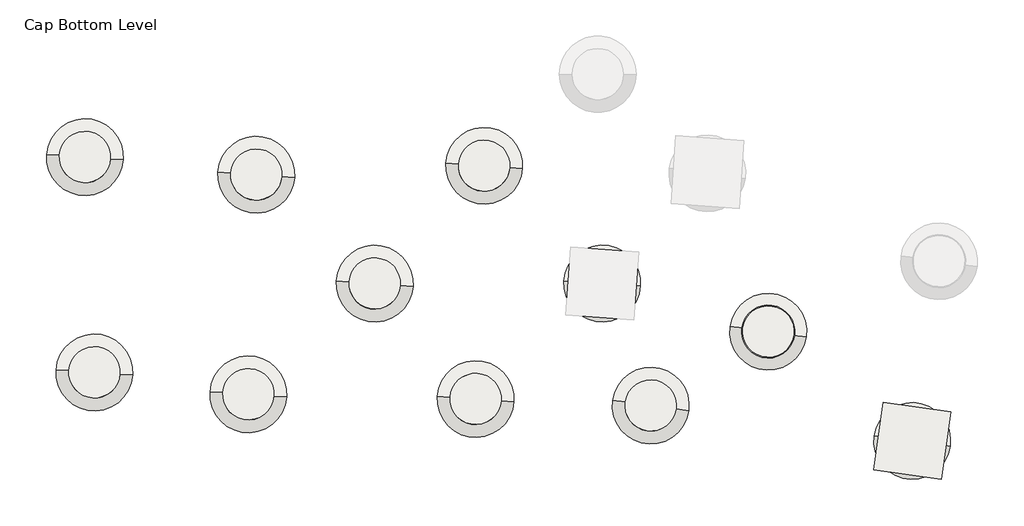
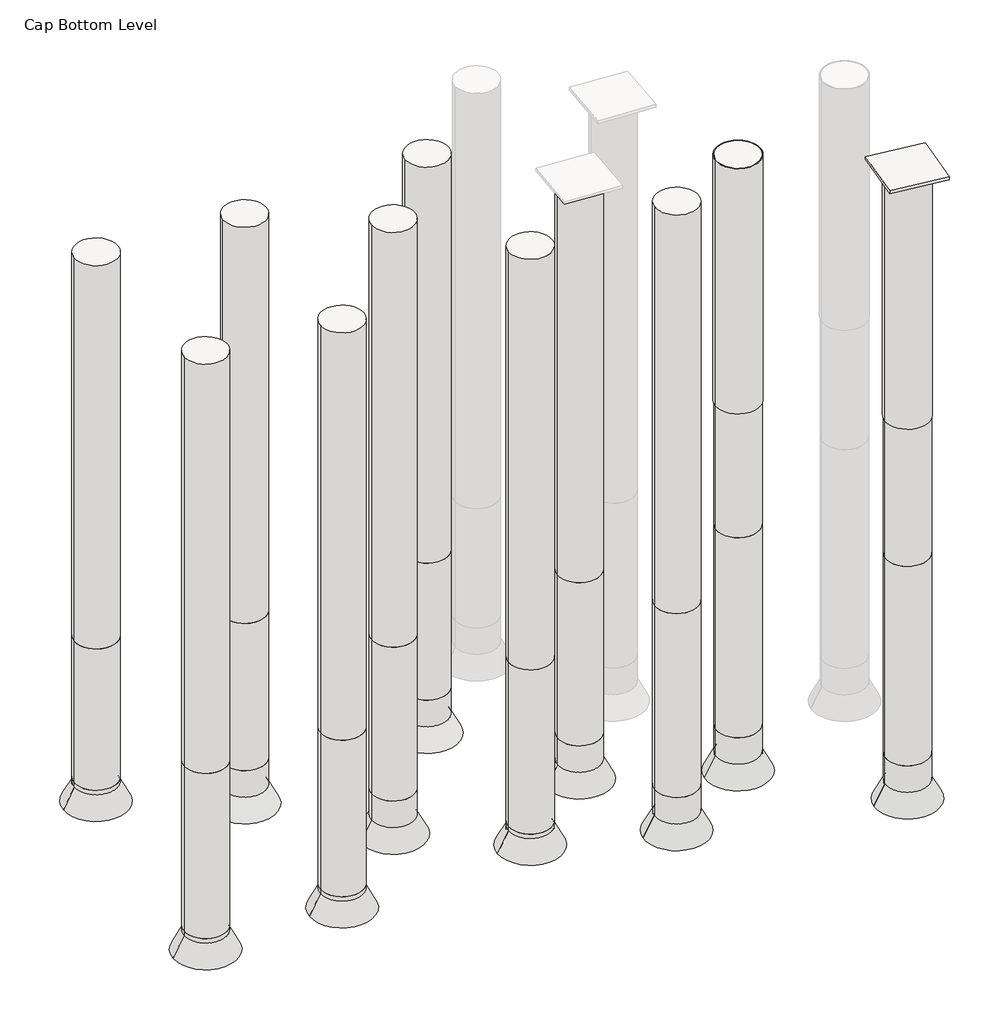
# One storey, part 1 of 2: 12 slabs.
"""IFC4 building model written with IfcOpenShell, lengths in millimetres."""

from ifc_helpers import new_model, si_unit, point, frame, frame_2d, origin, place, context, project, spatial, polyline, circle_curve, trimmed, segment, composite_curve, outline, extrude, element, save
from ifc_brep_helpers import plane_surface, revolved_surface, advanced_brep

model = new_model("IFC4")

# Units and contexts
model_context = context("Model", 3, world=origin())
ifc_project = project(units=[si_unit("LENGTHUNIT", "METRE", prefix="MILLI")], contexts=[model_context])

# Site, building, storey
site = spatial("IfcSite", under=ifc_project)
building = spatial("IfcBuilding", under=site)
storey = spatial("IfcBuildingStorey", under=building, Name="Cap Bottom Level", Elevation=150.0)

# Slabs
placement = place(None, origin())
element("IfcSlab", 1, at=placement, inside=storey, context=model_context, shape_type="SolidModel", body=[
    extrude(outline(composite_curve([segment(trimmed(circle_curve(frame_2d((-73256.8144701, 59689.0683255)), 1350.0), [point((-74603.5259435, 59783.2394866))], [point((-71910.1029968, 59594.8971644))], False, "CARTESIAN"), True, "CONTINUOUS"), segment(trimmed(circle_curve(frame_2d((-73256.8144701, 59689.0683255)), 1350.0), [point((-71910.1029968, 59594.8971644))], [point((-74603.5259435, 59783.2394866))], False, "CARTESIAN"), True, "CONTINUOUS")], self_intersect=False)), frame((0.0, 0.0, -28546.0), z_axis=(0.0, 0.0, 1.0), x_axis=(1.0, 0.0, 0.0)), (0.0, 0.0, 1.0), 27746.0),
    extrude(outline(composite_curve([segment(trimmed(circle_curve(frame_2d((-73256.8144701, 59689.0683255)), 1350.0), [point((-74603.5259435, 59783.2394866))], [point((-71910.1029968, 59594.8971644))], False, "CARTESIAN"), True, "CONTINUOUS"), segment(trimmed(circle_curve(frame_2d((-73256.8144701, 59689.0683255)), 1350.0), [point((-71910.1029968, 59594.8971644))], [point((-74603.5259435, 59783.2394866))], False, "CARTESIAN"), True, "CONTINUOUS")], self_intersect=False)), frame((0.0, 0.0, -39206.0), z_axis=(0.0, 0.0, 1.0), x_axis=(1.0, 0.0, 0.0)), (0.0, 0.0, 1.0), 10660.0),
    extrude(outline(composite_curve([segment(trimmed(circle_curve(frame_2d((-73256.8144701, 59689.0683255)), 1350.0), [point((-74603.5259435, 59783.2394866))], [point((-71910.1029968, 59594.8971644))], False, "CARTESIAN"), True, "CONTINUOUS"), segment(trimmed(circle_curve(frame_2d((-73256.8144701, 59689.0683255)), 1350.0), [point((-71910.1029968, 59594.8971644))], [point((-74603.5259435, 59783.2394866))], False, "CARTESIAN"), True, "CONTINUOUS")], self_intersect=False)), frame((0.0, 0.0, -40856.0), z_axis=(0.0, 0.0, 1.0), x_axis=(1.0, 0.0, 0.0)), (0.0, 0.0, 1.0), 1650.0),
    advanced_brep(
    [(-74603.5259435, 59783.2394866, -39506.0), (-71910.1029968, 59594.8971644, -39506.0), (-71236.7472601, 59547.8115839, -40856.0), (-75276.8816801, 59830.3250672, -40856.0), (-74603.5259435, 59783.2394866, -40856.0), (-71910.1029968, 59594.8971644, -40856.0)],
    [
        (0, 1, circle_curve(frame((-73256.8144701, 59689.0683255, -39506.0), z_axis=(0.0, 0.0, -1.0), x_axis=(0.9975640543235, -0.06975641563082773, 0.0)), 1350.0)),
        (1, 2),
        (2, 3, circle_curve(frame((-73256.8144701, 59689.0683255, -40856.0), z_axis=(0.0, 0.0, 1.0), x_axis=(0.9975640543235, -0.06975641563082773, 0.0)), 2025.0)),
        (3, 0),
        (1, 0, circle_curve(frame((-73256.8144701, 59689.0683255, -39506.0), z_axis=(0.0, 0.0, -1.0), x_axis=(0.9975640543235, -0.06975641563082773, 0.0)), 1350.0)),
        (3, 2, circle_curve(frame((-73256.8144701, 59689.0683255, -40856.0), z_axis=(0.0, 0.0, 1.0), x_axis=(0.9975640543235, -0.06975641563082773, 0.0)), 2025.0)),
        (4, 5, circle_curve(frame((-73256.8144701, 59689.0683255, -40856.0), z_axis=(0.0, 0.0, -1.0), x_axis=(0.9975640543235, -0.06975641563082773, 0.0)), 1350.0)),
        (5, 1),
        (0, 4),
        (5, 4, circle_curve(frame((-73256.8144701, 59689.0683255, -40856.0), z_axis=(0.0, 0.0, -1.0), x_axis=(0.9975640543235, -0.06975641563082773, 0.0)), 1350.0)),
        (2, 5),
        (4, 3),
    ],
    [
        revolved_surface(polyline([(-71236.7472601, 59547.8115839, -40856.0), (-71910.1029968, 59594.8971644, -39506.0)]), (-73256.8144701, 59689.0683255, -39156.0), (0.0, 0.0, 1.0)),
        revolved_surface(polyline([(-71910.10299676328, 59594.89716439838, -39506.0), (-71910.10299676328, 59594.89716439838, -40856.0)]), (-73256.8144701, 59689.0683255, -39156.0), (0.0, 0.0, 1.0)),
        plane_surface(frame((-73256.8144701, 59689.0683255, -40856.0), z_axis=(0.0, 0.0, -1.0000000000000002), x_axis=(0.9975640543235003, -0.06975641563082774, 0.0))),
    ],
    [
        (0, [[1, 2, 3, 4]]),
        (0, [[5, -4, 6, -2]]),
        (1, [[7, 8, -1, 9]]),
        (1, [[10, -9, -5, -8]]),
        (2, [[-3, 11, -7, 12]]),
        (2, [[-6, -12, -10, -11]]),
    ],
),
])
element("IfcSlab", 2, at=placement, inside=storey, context=model_context, shape_type="SolidModel", body=[
    extrude(outline(composite_curve([segment(trimmed(circle_curve(frame_2d((-66592.5490672, 65538.4406601)), 1350.0), [point((-67939.2605406, 65632.6118212))], [point((-65245.8375939, 65444.269499))], False, "CARTESIAN"), True, "CONTINUOUS"), segment(trimmed(circle_curve(frame_2d((-66592.5490672, 65538.4406601)), 1350.0), [point((-65245.8375939, 65444.269499))], [point((-67939.2605406, 65632.6118212))], False, "CARTESIAN"), True, "CONTINUOUS")], self_intersect=False)), frame((0.0, 0.0, -28089.0), z_axis=(0.0, 0.0, 1.0), x_axis=(1.0, 0.0, 0.0)), (0.0, 0.0, 1.0), 28239.0),
    extrude(outline(composite_curve([segment(trimmed(circle_curve(frame_2d((-66592.5490672, 65538.4406601)), 1350.0), [point((-67939.2605406, 65632.6118212))], [point((-65245.8375939, 65444.269499))], False, "CARTESIAN"), True, "CONTINUOUS"), segment(trimmed(circle_curve(frame_2d((-66592.5490672, 65538.4406601)), 1350.0), [point((-65245.8375939, 65444.269499))], [point((-67939.2605406, 65632.6118212))], False, "CARTESIAN"), True, "CONTINUOUS")], self_intersect=False)), frame((0.0, 0.0, -38569.0), z_axis=(0.0, 0.0, 1.0), x_axis=(1.0, 0.0, 0.0)), (0.0, 0.0, 1.0), 10480.0),
    extrude(outline(composite_curve([segment(trimmed(circle_curve(frame_2d((-66592.5490672, 65538.4406601)), 1350.0), [point((-67939.2605406, 65632.6118212))], [point((-65245.8375939, 65444.269499))], False, "CARTESIAN"), True, "CONTINUOUS"), segment(trimmed(circle_curve(frame_2d((-66592.5490672, 65538.4406601)), 1350.0), [point((-65245.8375939, 65444.269499))], [point((-67939.2605406, 65632.6118212))], False, "CARTESIAN"), True, "CONTINUOUS")], self_intersect=False)), frame((0.0, 0.0, -41719.0), z_axis=(0.0, 0.0, 1.0), x_axis=(1.0, 0.0, 0.0)), (0.0, 0.0, 1.0), 3150.0),
    advanced_brep(
    [(-67939.2605406, 65632.6118212, -40369.0), (-65245.8375939, 65444.269499, -40369.0), (-64572.4818572, 65397.1839185, -41719.0), (-68612.6162772, 65679.6974018, -41719.0), (-67939.2605406, 65632.6118212, -41719.0), (-65245.8375939, 65444.269499, -41719.0)],
    [
        (0, 1, circle_curve(frame((-66592.5490672, 65538.4406601, -40369.0), z_axis=(0.0, 0.0, -1.0), x_axis=(0.9975640543235003, -0.0697564156308278, 0.0)), 1350.0)),
        (1, 2),
        (2, 3, circle_curve(frame((-66592.5490672, 65538.4406601, -41719.0), z_axis=(0.0, 0.0, 1.0), x_axis=(0.9975640543235003, -0.0697564156308278, 0.0)), 2025.0)),
        (3, 0),
        (1, 0, circle_curve(frame((-66592.5490672, 65538.4406601, -40369.0), z_axis=(0.0, 0.0, -1.0), x_axis=(0.9975640543235003, -0.0697564156308278, 0.0)), 1350.0)),
        (3, 2, circle_curve(frame((-66592.5490672, 65538.4406601, -41719.0), z_axis=(0.0, 0.0, 1.0), x_axis=(0.9975640543235003, -0.0697564156308278, 0.0)), 2025.0)),
        (4, 5, circle_curve(frame((-66592.5490672, 65538.4406601, -41719.0), z_axis=(0.0, 0.0, -1.0), x_axis=(0.9975640543235003, -0.0697564156308278, 0.0)), 1350.0)),
        (5, 1),
        (0, 4),
        (5, 4, circle_curve(frame((-66592.5490672, 65538.4406601, -41719.0), z_axis=(0.0, 0.0, -1.0), x_axis=(0.9975640543235003, -0.0697564156308278, 0.0)), 1350.0)),
        (2, 5),
        (4, 3),
    ],
    [
        revolved_surface(polyline([(-64572.4818572, 65397.1839185, -41719.0), (-65245.8375939, 65444.269499, -40369.0)]), (-66592.5490672, 65538.4406601, -38519.0), (0.0, 0.0, 1.0)),
        revolved_surface(polyline([(-65245.837593863274, 65444.26949899838, -40369.0), (-65245.837593863274, 65444.26949899838, -41719.0)]), (-66592.5490672, 65538.4406601, -38519.0), (0.0, 0.0, 1.0)),
        plane_surface(frame((-66592.5490672, 65538.4406601, -41719.0), z_axis=(0.0, 0.0, -1.0000000000000002), x_axis=(0.9975640543235003, -0.0697564156308278, 0.0))),
    ],
    [
        (0, [[1, 2, 3, 4]]),
        (0, [[5, -4, 6, -2]]),
        (1, [[7, 8, -1, 9]]),
        (1, [[10, -9, -5, -8]]),
        (2, [[-3, 11, -7, 12]]),
        (2, [[-6, -12, -10, -11]]),
    ],
),
])
element("IfcSlab", 3, at=placement, inside=storey, context=model_context, shape_type="SolidModel", body=[
    extrude(outline(composite_curve([segment(trimmed(circle_curve(frame_2d((-61269.8292532, 59442.2886855)), 1350.0), [point((-62616.5407266, 59536.4598466))], [point((-59923.1177799, 59348.1175244))], False, "CARTESIAN"), True, "CONTINUOUS"), segment(trimmed(circle_curve(frame_2d((-61269.8292532, 59442.2886855)), 1350.0), [point((-59923.1177799, 59348.1175244))], [point((-62616.5407266, 59536.4598466))], False, "CARTESIAN"), True, "CONTINUOUS")], self_intersect=False)), frame((0.0, 0.0, -27808.0), z_axis=(0.0, 0.0, 1.0), x_axis=(1.0, 0.0, 0.0)), (0.0, 0.0, 1.0), 27958.0),
    extrude(outline(composite_curve([segment(trimmed(circle_curve(frame_2d((-61269.8292532, 59442.2886855)), 1350.0), [point((-62616.5407266, 59536.4598466))], [point((-59923.1177799, 59348.1175244))], False, "CARTESIAN"), True, "CONTINUOUS"), segment(trimmed(circle_curve(frame_2d((-61269.8292532, 59442.2886855)), 1350.0), [point((-59923.1177799, 59348.1175244))], [point((-62616.5407266, 59536.4598466))], False, "CARTESIAN"), True, "CONTINUOUS")], self_intersect=False)), frame((0.0, 0.0, -38988.0), z_axis=(0.0, 0.0, 1.0), x_axis=(1.0, 0.0, 0.0)), (0.0, 0.0, 1.0), 11180.0),
    extrude(outline(composite_curve([segment(trimmed(circle_curve(frame_2d((-61269.8292532, 59442.2886855)), 1350.0), [point((-62616.5407266, 59536.4598466))], [point((-59923.1177799, 59348.1175244))], False, "CARTESIAN"), True, "CONTINUOUS"), segment(trimmed(circle_curve(frame_2d((-61269.8292532, 59442.2886855)), 1350.0), [point((-59923.1177799, 59348.1175244))], [point((-62616.5407266, 59536.4598466))], False, "CARTESIAN"), True, "CONTINUOUS")], self_intersect=False)), frame((0.0, 0.0, -40638.0), z_axis=(0.0, 0.0, 1.0), x_axis=(1.0, 0.0, 0.0)), (0.0, 0.0, 1.0), 1650.0),
    advanced_brep(
    [(-62616.5407266, 59536.4598466, -39288.0), (-59923.1177799, 59348.1175244, -39288.0), (-59249.7620432, 59301.0319438, -40638.0), (-63289.8964632, 59583.5454271, -40638.0), (-62616.5407266, 59536.4598466, -40638.0), (-59923.1177799, 59348.1175244, -40638.0)],
    [
        (0, 1, circle_curve(frame((-61269.8292532, 59442.2886855, -39288.0), z_axis=(0.0, 0.0, -1.0), x_axis=(0.9975640543235003, -0.0697564156308278, 0.0)), 1350.0)),
        (1, 2),
        (2, 3, circle_curve(frame((-61269.8292532, 59442.2886855, -40638.0), z_axis=(0.0, 0.0, 1.0), x_axis=(0.9975640543235003, -0.0697564156308278, 0.0)), 2025.0)),
        (3, 0),
        (1, 0, circle_curve(frame((-61269.8292532, 59442.2886855, -39288.0), z_axis=(0.0, 0.0, -1.0), x_axis=(0.9975640543235003, -0.0697564156308278, 0.0)), 1350.0)),
        (3, 2, circle_curve(frame((-61269.8292532, 59442.2886855, -40638.0), z_axis=(0.0, 0.0, 1.0), x_axis=(0.9975640543235003, -0.0697564156308278, 0.0)), 2025.0)),
        (4, 5, circle_curve(frame((-61269.8292532, 59442.2886855, -40638.0), z_axis=(0.0, 0.0, -1.0), x_axis=(0.9975640543235003, -0.0697564156308278, 0.0)), 1350.0)),
        (5, 1),
        (0, 4),
        (5, 4, circle_curve(frame((-61269.8292532, 59442.2886855, -40638.0), z_axis=(0.0, 0.0, -1.0), x_axis=(0.9975640543235003, -0.0697564156308278, 0.0)), 1350.0)),
        (2, 5),
        (4, 3),
    ],
    [
        revolved_surface(polyline([(-59249.7620432, 59301.0319438, -40638.0), (-59923.1177799, 59348.1175244, -39288.0)]), (-61269.8292532, 59442.2886855, -38938.0), (0.0, 0.0, 1.0)),
        revolved_surface(polyline([(-59923.11777986327, 59348.11752439839, -39288.0), (-59923.11777986327, 59348.11752439839, -40638.0)]), (-61269.8292532, 59442.2886855, -38938.0), (0.0, 0.0, 1.0)),
        plane_surface(frame((-61269.8292532, 59442.2886855, -40638.0), z_axis=(0.0, 0.0, -1.0000000000000002), x_axis=(0.9975640543235003, -0.0697564156308278, 0.0))),
    ],
    [
        (0, [[1, 2, 3, 4]]),
        (0, [[5, -4, 6, -2]]),
        (1, [[7, 8, -1, 9]]),
        (1, [[10, -9, -5, -8]]),
        (2, [[-3, 11, -7, 12]]),
        (2, [[-6, -12, -10, -11]]),
    ],
),
])
element("IfcSlab", 4, at=placement, inside=storey, context=model_context, shape_type="SolidModel", body=[
    extrude(outline(composite_curve([segment(trimmed(circle_curve(frame_2d((-60819.4306699, 71760.8798255)), 1350.0), [point((-62166.1421432, 71855.0509867))], [point((-59472.7191965, 71666.7086644))], False, "CARTESIAN"), True, "CONTINUOUS"), segment(trimmed(circle_curve(frame_2d((-60819.4306699, 71760.8798255)), 1350.0), [point((-59472.7191965, 71666.7086644))], [point((-62166.1421432, 71855.0509867))], False, "CARTESIAN"), True, "CONTINUOUS")], self_intersect=False)), frame((0.0, 0.0, -28164.0), z_axis=(0.0, 0.0, 1.0), x_axis=(1.0, 0.0, 0.0)), (0.0, 0.0, 1.0), 26964.0),
    extrude(outline(composite_curve([segment(trimmed(circle_curve(frame_2d((-60819.4306699, 71760.8798255)), 1350.0), [point((-62166.1421432, 71855.0509867))], [point((-59472.7191965, 71666.7086644))], False, "CARTESIAN"), True, "CONTINUOUS"), segment(trimmed(circle_curve(frame_2d((-60819.4306699, 71760.8798255)), 1350.0), [point((-59472.7191965, 71666.7086644))], [point((-62166.1421432, 71855.0509867))], False, "CARTESIAN"), True, "CONTINUOUS")], self_intersect=False)), frame((0.0, 0.0, -37494.0), z_axis=(0.0, 0.0, 1.0), x_axis=(1.0, 0.0, 0.0)), (0.0, 0.0, 1.0), 9330.0),
    extrude(outline(composite_curve([segment(trimmed(circle_curve(frame_2d((-60819.4306699, 71760.8798255)), 1350.0), [point((-62166.1421432, 71855.0509867))], [point((-59472.7191965, 71666.7086644))], False, "CARTESIAN"), True, "CONTINUOUS"), segment(trimmed(circle_curve(frame_2d((-60819.4306699, 71760.8798255)), 1350.0), [point((-59472.7191965, 71666.7086644))], [point((-62166.1421432, 71855.0509867))], False, "CARTESIAN"), True, "CONTINUOUS")], self_intersect=False)), frame((0.0, 0.0, -40644.0), z_axis=(0.0, 0.0, 1.0), x_axis=(1.0, 0.0, 0.0)), (0.0, 0.0, 1.0), 3150.0),
    advanced_brep(
    [(-62166.1421432, 71855.0509867, -39294.0), (-59472.7191965, 71666.7086644, -39294.0), (-58799.3634599, 71619.6230839, -40644.0), (-62839.4978799, 71902.1365672, -40644.0), (-62166.1421432, 71855.0509867, -40644.0), (-59472.7191965, 71666.7086644, -40644.0)],
    [
        (0, 1, circle_curve(frame((-60819.4306699, 71760.8798255, -39294.0), z_axis=(0.0, 0.0, -1.0), x_axis=(0.9975640543235003, -0.06975641563082782, 0.0)), 1350.0)),
        (1, 2),
        (2, 3, circle_curve(frame((-60819.4306699, 71760.8798255, -40644.0), z_axis=(0.0, 0.0, 1.0), x_axis=(0.9975640543235003, -0.06975641563082782, 0.0)), 2025.0)),
        (3, 0),
        (1, 0, circle_curve(frame((-60819.4306699, 71760.8798255, -39294.0), z_axis=(0.0, 0.0, -1.0), x_axis=(0.9975640543235003, -0.06975641563082782, 0.0)), 1350.0)),
        (3, 2, circle_curve(frame((-60819.4306699, 71760.8798255, -40644.0), z_axis=(0.0, 0.0, 1.0), x_axis=(0.9975640543235003, -0.06975641563082782, 0.0)), 2025.0)),
        (4, 5, circle_curve(frame((-60819.4306699, 71760.8798255, -40644.0), z_axis=(0.0, 0.0, -1.0), x_axis=(0.9975640543235003, -0.06975641563082782, 0.0)), 1350.0)),
        (5, 1),
        (0, 4),
        (5, 4, circle_curve(frame((-60819.4306699, 71760.8798255, -40644.0), z_axis=(0.0, 0.0, -1.0), x_axis=(0.9975640543235003, -0.06975641563082782, 0.0)), 1350.0)),
        (2, 5),
        (4, 3),
    ],
    [
        revolved_surface(polyline([(-58799.3634599, 71619.6230839, -40644.0), (-59472.7191965, 71666.7086644, -39294.0)]), (-60819.4306699, 71760.8798255, -37444.0), (0.0, 0.0, 1.0)),
        revolved_surface(polyline([(-59472.719196563274, 71666.70866439838, -39294.0), (-59472.719196563274, 71666.70866439838, -40644.0)]), (-60819.4306699, 71760.8798255, -37444.0), (0.0, 0.0, 1.0)),
        plane_surface(frame((-60819.4306699, 71760.8798255, -40644.0), z_axis=(0.0, 0.0, -1.0000000000000002), x_axis=(0.9975640543235003, -0.06975641563082782, 0.0))),
    ],
    [
        (0, [[1, 2, 3, 4]]),
        (0, [[5, -4, 6, -2]]),
        (1, [[7, 8, -1, 9]]),
        (1, [[10, -9, -5, -8]]),
        (2, [[-3, 11, -7, 12]]),
        (2, [[-6, -12, -10, -11]]),
    ],
),
])
element("IfcSlab", 5, at=placement, inside=storey, context=model_context, shape_type="SolidModel", body=[
    extrude(outline(composite_curve([segment(trimmed(circle_curve(frame_2d((-54593.1129946, 65541.3945082)), 1350.0), [point((-55939.8244679, 65635.5656693))], [point((-53246.4015213, 65447.2233471))], False, "CARTESIAN"), True, "CONTINUOUS"), segment(trimmed(circle_curve(frame_2d((-54593.1129946, 65541.3945082)), 1350.0), [point((-53246.4015213, 65447.2233471))], [point((-55939.8244679, 65635.5656693))], False, "CARTESIAN"), True, "CONTINUOUS")], self_intersect=False)), frame((0.0, 0.0, -27901.0), z_axis=(0.0, 0.0, 1.0), x_axis=(1.0, 0.0, 0.0)), (0.0, 0.0, 1.0), 26501.0),
    extrude(outline(composite_curve([segment(trimmed(circle_curve(frame_2d((-54593.1129946, 65541.3945082)), 1350.0), [point((-55939.8244679, 65635.5656693))], [point((-53246.4015213, 65447.2233471))], False, "CARTESIAN"), True, "CONTINUOUS"), segment(trimmed(circle_curve(frame_2d((-54593.1129946, 65541.3945082)), 1350.0), [point((-53246.4015213, 65447.2233471))], [point((-55939.8244679, 65635.5656693))], False, "CARTESIAN"), True, "CONTINUOUS")], self_intersect=False)), frame((0.0, 0.0, -39011.0), z_axis=(0.0, 0.0, 1.0), x_axis=(1.0, 0.0, 0.0)), (0.0, 0.0, 1.0), 11110.0),
    extrude(outline(composite_curve([segment(trimmed(circle_curve(frame_2d((-54593.1129946, 65541.3945082)), 1350.0), [point((-55939.8244679, 65635.5656693))], [point((-53246.4015213, 65447.2233471))], False, "CARTESIAN"), True, "CONTINUOUS"), segment(trimmed(circle_curve(frame_2d((-54593.1129946, 65541.3945082)), 1350.0), [point((-53246.4015213, 65447.2233471))], [point((-55939.8244679, 65635.5656693))], False, "CARTESIAN"), True, "CONTINUOUS")], self_intersect=False)), frame((0.0, 0.0, -42161.0), z_axis=(0.0, 0.0, 1.0), x_axis=(1.0, 0.0, 0.0)), (0.0, 0.0, 1.0), 3150.0),
    advanced_brep(
    [(-55939.8244679, 65635.5656693, -40811.0), (-53246.4015213, 65447.2233471, -40811.0), (-52573.0457846, 65400.1377665, -42161.0), (-56613.1802046, 65682.6512498, -42161.0), (-55939.8244679, 65635.5656693, -42161.0), (-53246.4015213, 65447.2233471, -42161.0)],
    [
        (0, 1, circle_curve(frame((-54593.1129946, 65541.3945082, -40811.0), z_axis=(0.0, 0.0, -1.0), x_axis=(0.9975640543235006, -0.0697564156308235, 0.0)), 1350.0)),
        (1, 2),
        (2, 3, circle_curve(frame((-54593.1129946, 65541.3945082, -42161.0), z_axis=(0.0, 0.0, 1.0), x_axis=(0.9975640543235006, -0.0697564156308235, 0.0)), 2025.0)),
        (3, 0),
        (1, 0, circle_curve(frame((-54593.1129946, 65541.3945082, -40811.0), z_axis=(0.0, 0.0, -1.0), x_axis=(0.9975640543235006, -0.0697564156308235, 0.0)), 1350.0)),
        (3, 2, circle_curve(frame((-54593.1129946, 65541.3945082, -42161.0), z_axis=(0.0, 0.0, 1.0), x_axis=(0.9975640543235006, -0.0697564156308235, 0.0)), 2025.0)),
        (4, 5, circle_curve(frame((-54593.1129946, 65541.3945082, -42161.0), z_axis=(0.0, 0.0, -1.0), x_axis=(0.9975640543235006, -0.0697564156308235, 0.0)), 1350.0)),
        (5, 1),
        (0, 4),
        (5, 4, circle_curve(frame((-54593.1129946, 65541.3945082, -42161.0), z_axis=(0.0, 0.0, -1.0), x_axis=(0.9975640543235006, -0.0697564156308235, 0.0)), 1350.0)),
        (2, 5),
        (4, 3),
    ],
    [
        revolved_surface(polyline([(-52573.0457846, 65400.1377665, -42161.0), (-53246.4015213, 65447.2233471, -40811.0)]), (-54593.1129946, 65541.3945082, -38961.0), (0.0, 0.0, 1.0)),
        revolved_surface(polyline([(-53246.40152126327, 65447.223347098385, -40811.0), (-53246.40152126327, 65447.223347098385, -42161.0)]), (-54593.1129946, 65541.3945082, -38961.0), (0.0, 0.0, 1.0)),
        plane_surface(frame((-54593.1129946, 65541.3945082, -42161.0), z_axis=(0.0, 0.0, -1.0000000000000002), x_axis=(0.9975640543235006, -0.0697564156308235, 0.0))),
    ],
    [
        (0, [[1, 2, 3, 4]]),
        (0, [[5, -4, 6, -2]]),
        (1, [[7, 8, -1, 9]]),
        (1, [[10, -9, -5, -8]]),
        (2, [[-3, 11, -7, 12]]),
        (2, [[-6, -12, -10, -11]]),
    ],
),
])
element("IfcSlab", 6, at=placement, inside=storey, context=model_context, shape_type="SolidModel", body=[
    extrude(outline(composite_curve([segment(trimmed(circle_curve(frame_2d((-38241.7522633, 57231.0002281)), 1350.0), [point((-39578.614167, 57418.8838365))], [point((-36904.8903595, 57043.1166197))], False, "CARTESIAN"), True, "CONTINUOUS"), segment(trimmed(circle_curve(frame_2d((-38241.7522633, 57231.0002281)), 1350.0), [point((-36904.8903595, 57043.1166197))], [point((-39578.614167, 57418.8838365))], False, "CARTESIAN"), True, "CONTINUOUS")], self_intersect=False)), frame((0.0, 0.0, -27479.0), z_axis=(0.0, 0.0, 1.0), x_axis=(1.0, 0.0, 0.0)), (0.0, 0.0, 1.0), 26079.0),
    extrude(outline(composite_curve([segment(trimmed(circle_curve(frame_2d((-38241.7522633, 57231.0002281)), 1350.0), [point((-39578.614167, 57418.8838365))], [point((-36904.8903595, 57043.1166197))], False, "CARTESIAN"), True, "CONTINUOUS"), segment(trimmed(circle_curve(frame_2d((-38241.7522633, 57231.0002281)), 1350.0), [point((-36904.8903595, 57043.1166197))], [point((-39578.614167, 57418.8838365))], False, "CARTESIAN"), True, "CONTINUOUS")], self_intersect=False)), frame((0.0, 0.0, -41059.0), z_axis=(0.0, 0.0, 1.0), x_axis=(1.0, 0.0, 0.0)), (0.0, 0.0, 1.0), 13580.0),
    extrude(outline(composite_curve([segment(trimmed(circle_curve(frame_2d((-38241.7522633, 57231.0002281)), 1350.0), [point((-39578.614167, 57418.8838365))], [point((-36904.8903595, 57043.1166197))], False, "CARTESIAN"), True, "CONTINUOUS"), segment(trimmed(circle_curve(frame_2d((-38241.7522633, 57231.0002281)), 1350.0), [point((-36904.8903595, 57043.1166197))], [point((-39578.614167, 57418.8838365))], False, "CARTESIAN"), True, "CONTINUOUS")], self_intersect=False)), frame((0.0, 0.0, -44209.0), z_axis=(0.0, 0.0, 1.0), x_axis=(1.0, 0.0, 0.0)), (0.0, 0.0, 1.0), 3150.0),
    advanced_brep(
    [(-39578.614167, 57418.8838365, -42859.0), (-36904.8903595, 57043.1166197, -42859.0), (-36236.4594076, 56949.1748155, -44209.0), (-40247.0451189, 57512.8256407, -44209.0), (-39578.614167, 57418.8838365, -44209.0), (-36904.8903595, 57043.1166197, -44209.0)],
    [
        (0, 1, circle_curve(frame((-38241.7522633, 57231.0002281, -42859.0), z_axis=(0.0, 0.0, -1.0), x_axis=(0.9902680768491265, -0.1391730432717947, 0.0)), 1350.0)),
        (1, 2),
        (2, 3, circle_curve(frame((-38241.7522633, 57231.0002281, -44209.0), z_axis=(0.0, 0.0, 1.0), x_axis=(0.9902680768491265, -0.1391730432717947, 0.0)), 2025.0)),
        (3, 0),
        (1, 0, circle_curve(frame((-38241.7522633, 57231.0002281, -42859.0), z_axis=(0.0, 0.0, -1.0), x_axis=(0.9902680768491265, -0.1391730432717947, 0.0)), 1350.0)),
        (3, 2, circle_curve(frame((-38241.7522633, 57231.0002281, -44209.0), z_axis=(0.0, 0.0, 1.0), x_axis=(0.9902680768491265, -0.1391730432717947, 0.0)), 2025.0)),
        (4, 5, circle_curve(frame((-38241.7522633, 57231.0002281, -44209.0), z_axis=(0.0, 0.0, -1.0), x_axis=(0.9902680768491265, -0.1391730432717947, 0.0)), 1350.0)),
        (5, 1),
        (0, 4),
        (5, 4, circle_curve(frame((-38241.7522633, 57231.0002281, -44209.0), z_axis=(0.0, 0.0, -1.0), x_axis=(0.9902680768491265, -0.1391730432717947, 0.0)), 1350.0)),
        (2, 5),
        (4, 3),
    ],
    [
        revolved_surface(polyline([(-36236.4594076, 56949.1748155, -44209.0), (-36904.8903595, 57043.1166197, -42859.0)]), (-38241.7522633, 57231.0002281, -41009.0), (0.0, 0.0, 1.0)),
        revolved_surface(polyline([(-36904.890359553676, 57043.116619683075, -42859.0), (-36904.890359553676, 57043.116619683075, -44209.0)]), (-38241.7522633, 57231.0002281, -41009.0), (0.0, 0.0, 1.0)),
        plane_surface(frame((-38241.7522633, 57231.0002281, -44209.0), z_axis=(0.0, 0.0, -1.0), x_axis=(0.9902680768491263, -0.13917304327179467, 0.0))),
    ],
    [
        (0, [[1, 2, 3, 4]]),
        (0, [[5, -4, 6, -2]]),
        (1, [[7, 8, -1, 9]]),
        (1, [[10, -9, -5, -8]]),
        (2, [[-3, 11, -7, 12]]),
        (2, [[-6, -12, -10, -11]]),
    ],
),
    extrude(outline(composite_curve([segment(trimmed(circle_curve(frame_2d((-38241.7522633, 57231.0002281)), 1400.0), [point((-39628.1275709, 57425.8424887))], [point((-36855.3769557, 57036.1579675))], False, "CARTESIAN"), True, "CONTINUOUS"), segment(trimmed(circle_curve(frame_2d((-38241.7522633, 57231.0002281)), 1400.0), [point((-36855.3769557, 57036.1579675))], [point((-39628.1275709, 57425.8424887))], False, "CARTESIAN"), True, "CONTINUOUS")], self_intersect=False), holes=[composite_curve([segment(trimmed(circle_curve(frame_2d((-38241.7522633, 57231.0002281)), 1350.0), [point((-39578.614167, 57418.8838365))], [point((-36904.8903595, 57043.1166197))], True, "CARTESIAN"), True, "CONTINUOUS"), segment(trimmed(circle_curve(frame_2d((-38241.7522633, 57231.0002281)), 1350.0), [point((-36904.8903595, 57043.1166197))], [point((-39578.614167, 57418.8838365))], True, "CARTESIAN"), True, "CONTINUOUS")], self_intersect=False)]), frame((0.0, 0.0, -18100.0), z_axis=(0.0, 0.0, 1.0), x_axis=(1.0, 0.0, 0.0)), (0.0, 0.0, 1.0), 16700.0),
])
element("IfcSlab", 7, at=placement, inside=storey, context=model_context, shape_type="SolidModel", body=[
    extrude(outline(composite_curve([segment(trimmed(circle_curve(frame_2d((-81878.9776054, 72216.0493282)), 1350.0), [point((-83225.6889619, 72310.2221608))], [point((-80532.266249, 72121.8764957))], False, "CARTESIAN"), True, "CONTINUOUS"), segment(trimmed(circle_curve(frame_2d((-81878.9776054, 72216.0493282)), 1350.0), [point((-80532.266249, 72121.8764957))], [point((-83225.6889619, 72310.2221608))], False, "CARTESIAN"), True, "CONTINUOUS")], self_intersect=False)), frame((0.0, 0.0, -26906.0), z_axis=(0.0, 0.0, 1.0), x_axis=(1.0, 0.0, 0.0)), (0.0, 0.0, 1.0), 26106.0),
    extrude(outline(composite_curve([segment(trimmed(circle_curve(frame_2d((-81878.9776054, 72216.0493282)), 1350.0), [point((-83225.6889619, 72310.2221608))], [point((-80532.266249, 72121.8764957))], False, "CARTESIAN"), True, "CONTINUOUS"), segment(trimmed(circle_curve(frame_2d((-81878.9776054, 72216.0493282)), 1350.0), [point((-80532.266249, 72121.8764957))], [point((-83225.6889619, 72310.2221608))], False, "CARTESIAN"), True, "CONTINUOUS")], self_intersect=False)), frame((0.0, 0.0, -36536.0), z_axis=(0.0, 0.0, 1.0), x_axis=(1.0, 0.0, 0.0)), (0.0, 0.0, 1.0), 9630.0),
    extrude(outline(composite_curve([segment(trimmed(circle_curve(frame_2d((-81878.9776054, 72216.0493282)), 1350.0), [point((-83225.6889619, 72310.2221608))], [point((-80532.266249, 72121.8764957))], False, "CARTESIAN"), True, "CONTINUOUS"), segment(trimmed(circle_curve(frame_2d((-81878.9776054, 72216.0493282)), 1350.0), [point((-80532.266249, 72121.8764957))], [point((-83225.6889619, 72310.2221608))], False, "CARTESIAN"), True, "CONTINUOUS")], self_intersect=False)), frame((0.0, 0.0, -38186.0), z_axis=(0.0, 0.0, 1.0), x_axis=(1.0, 0.0, 0.0)), (0.0, 0.0, 1.0), 1650.0),
    advanced_brep(
    [(-83225.6889619, 72310.2221608, -36836.0), (-80532.266249, 72121.8764957, -36836.0), (-79858.9105707, 72074.7900794, -38186.0), (-83899.0446401, 72357.308577, -38186.0), (-83225.6889619, 72310.2221608, -38186.0), (-80532.266249, 72121.8764957, -38186.0)],
    [
        (0, 1, circle_curve(frame((-81878.9776054, 72216.0493282, -36836.0), z_axis=(0.0, 0.0, -1.0), x_axis=(0.9975639677464382, -0.06975765373049328, 0.0)), 1350.0)),
        (1, 2),
        (2, 3, circle_curve(frame((-81878.9776054, 72216.0493282, -38186.0), z_axis=(0.0, 0.0, 1.0), x_axis=(0.9975639677464382, -0.06975765373049328, 0.0)), 2025.0)),
        (3, 0),
        (1, 0, circle_curve(frame((-81878.9776054, 72216.0493282, -36836.0), z_axis=(0.0, 0.0, -1.0), x_axis=(0.9975639677464382, -0.06975765373049328, 0.0)), 1350.0)),
        (3, 2, circle_curve(frame((-81878.9776054, 72216.0493282, -38186.0), z_axis=(0.0, 0.0, 1.0), x_axis=(0.9975639677464382, -0.06975765373049328, 0.0)), 2025.0)),
        (4, 5, circle_curve(frame((-81878.9776054, 72216.0493282, -38186.0), z_axis=(0.0, 0.0, -1.0), x_axis=(0.9975639677464382, -0.06975765373049328, 0.0)), 1350.0)),
        (5, 1),
        (0, 4),
        (5, 4, circle_curve(frame((-81878.9776054, 72216.0493282, -38186.0), z_axis=(0.0, 0.0, -1.0), x_axis=(0.9975639677464382, -0.06975765373049328, 0.0)), 1350.0)),
        (2, 5),
        (4, 3),
    ],
    [
        revolved_surface(polyline([(-79858.9105707, 72074.7900794, -38186.0), (-80532.266249, 72121.8764957, -36836.0)]), (-81878.9776054, 72216.0493282, -36486.0), (0.0, 0.0, 1.0)),
        revolved_surface(polyline([(-80532.26624894231, 72121.87649566383, -36836.0), (-80532.26624894231, 72121.87649566383, -38186.0)]), (-81878.9776054, 72216.0493282, -36486.0), (0.0, 0.0, 1.0)),
        plane_surface(frame((-81878.9776054, 72216.0493282, -38186.0), z_axis=(0.0, 0.0, -1.0000000000000002), x_axis=(0.9975639677464382, -0.06975765373049328, 0.0))),
    ],
    [
        (0, [[1, 2, 3, 4]]),
        (0, [[5, -4, 6, -2]]),
        (1, [[7, 8, -1, 9]]),
        (1, [[10, -9, -5, -8]]),
        (2, [[-3, 11, -7, 12]]),
        (2, [[-6, -12, -10, -11]]),
    ],
),
])
element("IfcSlab", 8, at=placement, inside=storey, context=model_context, shape_type="SolidModel", body=[
    extrude(outline(composite_curve([segment(trimmed(circle_curve(frame_2d((-81380.7210454, 60848.6001735)), 1350.0), [point((-82727.4324018, 60942.7730061))], [point((-80034.0096889, 60754.427341))], False, "CARTESIAN"), True, "CONTINUOUS"), segment(trimmed(circle_curve(frame_2d((-81380.7210454, 60848.6001735)), 1350.0), [point((-80034.0096889, 60754.427341))], [point((-82727.4324018, 60942.7730061))], False, "CARTESIAN"), True, "CONTINUOUS")], self_intersect=False)), frame((0.0, 0.0, -28665.0), z_axis=(0.0, 0.0, 1.0), x_axis=(1.0, 0.0, 0.0)), (0.0, 0.0, 1.0), 27865.0),
    extrude(outline(composite_curve([segment(trimmed(circle_curve(frame_2d((-81380.7210454, 60848.6001735)), 1350.0), [point((-82727.4324018, 60942.7730061))], [point((-80034.0096889, 60754.427341))], False, "CARTESIAN"), True, "CONTINUOUS"), segment(trimmed(circle_curve(frame_2d((-81380.7210454, 60848.6001735)), 1350.0), [point((-80034.0096889, 60754.427341))], [point((-82727.4324018, 60942.7730061))], False, "CARTESIAN"), True, "CONTINUOUS")], self_intersect=False)), frame((0.0, 0.0, -39915.0), z_axis=(0.0, 0.0, 1.0), x_axis=(1.0, 0.0, 0.0)), (0.0, 0.0, 1.0), 11250.0),
    extrude(outline(composite_curve([segment(trimmed(circle_curve(frame_2d((-81380.7210454, 60848.6001735)), 1350.0), [point((-82727.4324018, 60942.7730061))], [point((-80034.0096889, 60754.427341))], False, "CARTESIAN"), True, "CONTINUOUS"), segment(trimmed(circle_curve(frame_2d((-81380.7210454, 60848.6001735)), 1350.0), [point((-80034.0096889, 60754.427341))], [point((-82727.4324018, 60942.7730061))], False, "CARTESIAN"), True, "CONTINUOUS")], self_intersect=False)), frame((0.0, 0.0, -41565.0), z_axis=(0.0, 0.0, 1.0), x_axis=(1.0, 0.0, 0.0)), (0.0, 0.0, 1.0), 1650.0),
    advanced_brep(
    [(-82727.4324018, 60942.7730061, -40215.0), (-80034.0096889, 60754.427341, -40215.0), (-79360.6540107, 60707.3409247, -41565.0), (-83400.78808, 60989.8594223, -41565.0), (-82727.4324018, 60942.7730061, -41565.0), (-80034.0096889, 60754.427341, -41565.0)],
    [
        (0, 1, circle_curve(frame((-81380.7210454, 60848.6001735, -40215.0), z_axis=(0.0, 0.0, -1.0), x_axis=(0.9975639677464382, -0.06975765373049328, 0.0)), 1350.0)),
        (1, 2),
        (2, 3, circle_curve(frame((-81380.7210454, 60848.6001735, -41565.0), z_axis=(0.0, 0.0, 1.0), x_axis=(0.9975639677464382, -0.06975765373049328, 0.0)), 2025.0)),
        (3, 0),
        (1, 0, circle_curve(frame((-81380.7210454, 60848.6001735, -40215.0), z_axis=(0.0, 0.0, -1.0), x_axis=(0.9975639677464382, -0.06975765373049328, 0.0)), 1350.0)),
        (3, 2, circle_curve(frame((-81380.7210454, 60848.6001735, -41565.0), z_axis=(0.0, 0.0, 1.0), x_axis=(0.9975639677464382, -0.06975765373049328, 0.0)), 2025.0)),
        (4, 5, circle_curve(frame((-81380.7210454, 60848.6001735, -41565.0), z_axis=(0.0, 0.0, -1.0), x_axis=(0.9975639677464382, -0.06975765373049328, 0.0)), 1350.0)),
        (5, 1),
        (0, 4),
        (5, 4, circle_curve(frame((-81380.7210454, 60848.6001735, -41565.0), z_axis=(0.0, 0.0, -1.0), x_axis=(0.9975639677464382, -0.06975765373049328, 0.0)), 1350.0)),
        (2, 5),
        (4, 3),
    ],
    [
        revolved_surface(polyline([(-79360.6540107, 60707.3409247, -41565.0), (-80034.0096889, 60754.427341, -40215.0)]), (-81380.7210454, 60848.6001735, -39865.0), (0.0, 0.0, 1.0)),
        revolved_surface(polyline([(-80034.00968894231, 60754.42734096383, -40215.0), (-80034.00968894231, 60754.42734096383, -41565.0)]), (-81380.7210454, 60848.6001735, -39865.0), (0.0, 0.0, 1.0)),
        plane_surface(frame((-81380.7210454, 60848.6001735, -41565.0), z_axis=(0.0, 0.0, -1.0000000000000002), x_axis=(0.9975639677464382, -0.06975765373049328, 0.0))),
    ],
    [
        (0, [[1, 2, 3, 4]]),
        (0, [[5, -4, 6, -2]]),
        (1, [[7, 8, -1, 9]]),
        (1, [[10, -9, -5, -8]]),
        (2, [[-3, 11, -7, 12]]),
        (2, [[-6, -12, -10, -11]]),
    ],
),
])
element("IfcSlab", 9, at=placement, inside=storey, context=model_context, shape_type="SolidModel", body=[
    extrude(outline(composite_curve([segment(trimmed(circle_curve(frame_2d((-72841.6771613, 71288.3653255)), 1350.0), [point((-74188.3886346, 71382.5364866))], [point((-71494.965688, 71194.1941644))], False, "CARTESIAN"), True, "CONTINUOUS"), segment(trimmed(circle_curve(frame_2d((-72841.6771613, 71288.3653255)), 1350.0), [point((-71494.965688, 71194.1941644))], [point((-74188.3886346, 71382.5364866))], False, "CARTESIAN"), True, "CONTINUOUS")], self_intersect=False)), frame((0.0, 0.0, -27769.0), z_axis=(0.0, 0.0, 1.0), x_axis=(1.0, 0.0, 0.0)), (0.0, 0.0, 1.0), 26969.0),
    extrude(outline(composite_curve([segment(trimmed(circle_curve(frame_2d((-72841.6771613, 71288.3653255)), 1350.0), [point((-74188.3886346, 71382.5364866))], [point((-71494.965688, 71194.1941644))], False, "CARTESIAN"), True, "CONTINUOUS"), segment(trimmed(circle_curve(frame_2d((-72841.6771613, 71288.3653255)), 1350.0), [point((-71494.965688, 71194.1941644))], [point((-74188.3886346, 71382.5364866))], False, "CARTESIAN"), True, "CONTINUOUS")], self_intersect=False)), frame((0.0, 0.0, -37799.0), z_axis=(0.0, 0.0, 1.0), x_axis=(1.0, 0.0, 0.0)), (0.0, 0.0, 1.0), 10030.0),
    extrude(outline(composite_curve([segment(trimmed(circle_curve(frame_2d((-72841.6771613, 71288.3653255)), 1350.0), [point((-74188.3886346, 71382.5364866))], [point((-71494.965688, 71194.1941644))], False, "CARTESIAN"), True, "CONTINUOUS"), segment(trimmed(circle_curve(frame_2d((-72841.6771613, 71288.3653255)), 1350.0), [point((-71494.965688, 71194.1941644))], [point((-74188.3886346, 71382.5364866))], False, "CARTESIAN"), True, "CONTINUOUS")], self_intersect=False)), frame((0.0, 0.0, -40949.0), z_axis=(0.0, 0.0, 1.0), x_axis=(1.0, 0.0, 0.0)), (0.0, 0.0, 1.0), 3150.0),
    advanced_brep(
    [(-74188.3886346, 71382.5364866, -39599.0), (-71494.965688, 71194.1941644, -39599.0), (-70821.6099513, 71147.1085839, -40949.0), (-74861.7443713, 71429.6220672, -40949.0), (-74188.3886346, 71382.5364866, -40949.0), (-71494.965688, 71194.1941644, -40949.0)],
    [
        (0, 1, circle_curve(frame((-72841.6771613, 71288.3653255, -39599.0), z_axis=(0.0, 0.0, -1.0), x_axis=(0.9975640543235, -0.06975641563082773, 0.0)), 1350.0)),
        (1, 2),
        (2, 3, circle_curve(frame((-72841.6771613, 71288.3653255, -40949.0), z_axis=(0.0, 0.0, 1.0), x_axis=(0.9975640543235, -0.06975641563082773, 0.0)), 2025.0)),
        (3, 0),
        (1, 0, circle_curve(frame((-72841.6771613, 71288.3653255, -39599.0), z_axis=(0.0, 0.0, -1.0), x_axis=(0.9975640543235, -0.06975641563082773, 0.0)), 1350.0)),
        (3, 2, circle_curve(frame((-72841.6771613, 71288.3653255, -40949.0), z_axis=(0.0, 0.0, 1.0), x_axis=(0.9975640543235, -0.06975641563082773, 0.0)), 2025.0)),
        (4, 5, circle_curve(frame((-72841.6771613, 71288.3653255, -40949.0), z_axis=(0.0, 0.0, -1.0), x_axis=(0.9975640543235, -0.06975641563082773, 0.0)), 1350.0)),
        (5, 1),
        (0, 4),
        (5, 4, circle_curve(frame((-72841.6771613, 71288.3653255, -40949.0), z_axis=(0.0, 0.0, -1.0), x_axis=(0.9975640543235, -0.06975641563082773, 0.0)), 1350.0)),
        (2, 5),
        (4, 3),
    ],
    [
        revolved_surface(polyline([(-70821.6099513, 71147.1085839, -40949.0), (-71494.965688, 71194.1941644, -39599.0)]), (-72841.6771613, 71288.3653255, -37749.0), (0.0, 0.0, 1.0)),
        revolved_surface(polyline([(-71494.96568796328, 71194.19416439837, -39599.0), (-71494.96568796328, 71194.19416439837, -40949.0)]), (-72841.6771613, 71288.3653255, -37749.0), (0.0, 0.0, 1.0)),
        plane_surface(frame((-72841.6771613, 71288.3653255, -40949.0), z_axis=(0.0, 0.0, -1.0000000000000002), x_axis=(0.9975640543235003, -0.06975641563082774, 0.0))),
    ],
    [
        (0, [[1, 2, 3, 4]]),
        (0, [[5, -4, 6, -2]]),
        (1, [[7, 8, -1, 9]]),
        (1, [[10, -9, -5, -8]]),
        (2, [[-3, 11, -7, 12]]),
        (2, [[-6, -12, -10, -11]]),
    ],
),
])
element("IfcSlab", 10, at=placement, inside=storey, context=model_context, shape_type="SolidModel", body=[
    extrude(outline(composite_curve([segment(trimmed(circle_curve(frame_2d((-45832.9318104, 62998.6182881)), 1350.0), [point((-47169.7937142, 63186.5018965))], [point((-44496.0699067, 62810.7346797))], False, "CARTESIAN"), True, "CONTINUOUS"), segment(trimmed(circle_curve(frame_2d((-45832.9318104, 62998.6182881)), 1350.0), [point((-44496.0699067, 62810.7346797))], [point((-47169.7937142, 63186.5018965))], False, "CARTESIAN"), True, "CONTINUOUS")], self_intersect=False)), frame((0.0, 0.0, -26363.0), z_axis=(0.0, 0.0, 1.0), x_axis=(1.0, 0.0, 0.0)), (0.0, 0.0, 1.0), 25163.0),
    extrude(outline(composite_curve([segment(trimmed(circle_curve(frame_2d((-45832.9318104, 62998.6182881)), 1350.0), [point((-47169.7937142, 63186.5018965))], [point((-44496.0699067, 62810.7346797))], False, "CARTESIAN"), True, "CONTINUOUS"), segment(trimmed(circle_curve(frame_2d((-45832.9318104, 62998.6182881)), 1350.0), [point((-44496.0699067, 62810.7346797))], [point((-47169.7937142, 63186.5018965))], False, "CARTESIAN"), True, "CONTINUOUS")], self_intersect=False)), frame((0.0, 0.0, -39983.0), z_axis=(0.0, 0.0, 1.0), x_axis=(1.0, 0.0, 0.0)), (0.0, 0.0, 1.0), 13620.0),
    extrude(outline(composite_curve([segment(trimmed(circle_curve(frame_2d((-45832.9318104, 62998.6182881)), 1350.0), [point((-47169.7937142, 63186.5018965))], [point((-44496.0699067, 62810.7346797))], False, "CARTESIAN"), True, "CONTINUOUS"), segment(trimmed(circle_curve(frame_2d((-45832.9318104, 62998.6182881)), 1350.0), [point((-44496.0699067, 62810.7346797))], [point((-47169.7937142, 63186.5018965))], False, "CARTESIAN"), True, "CONTINUOUS")], self_intersect=False)), frame((0.0, 0.0, -43133.0), z_axis=(0.0, 0.0, 1.0), x_axis=(1.0, 0.0, 0.0)), (0.0, 0.0, 1.0), 3150.0),
    advanced_brep(
    [(-47169.7937142, 63186.5018965, -41783.0), (-44496.0699067, 62810.7346797, -41783.0), (-43827.6389548, 62716.7928754, -43133.0), (-47838.2246661, 63280.4437007, -43133.0), (-47169.7937142, 63186.5018965, -43133.0), (-44496.0699067, 62810.7346797, -43133.0)],
    [
        (0, 1, circle_curve(frame((-45832.9318104, 62998.6182881, -41783.0), z_axis=(0.0, 0.0, -1.0), x_axis=(0.9902680768491267, -0.13917304327179253, 0.0)), 1350.0)),
        (1, 2),
        (2, 3, circle_curve(frame((-45832.9318104, 62998.6182881, -43133.0), z_axis=(0.0, 0.0, 1.0), x_axis=(0.9902680768491267, -0.13917304327179253, 0.0)), 2025.0)),
        (3, 0),
        (1, 0, circle_curve(frame((-45832.9318104, 62998.6182881, -41783.0), z_axis=(0.0, 0.0, -1.0), x_axis=(0.9902680768491267, -0.13917304327179253, 0.0)), 1350.0)),
        (3, 2, circle_curve(frame((-45832.9318104, 62998.6182881, -43133.0), z_axis=(0.0, 0.0, 1.0), x_axis=(0.9902680768491267, -0.13917304327179253, 0.0)), 2025.0)),
        (4, 5, circle_curve(frame((-45832.9318104, 62998.6182881, -43133.0), z_axis=(0.0, 0.0, -1.0), x_axis=(0.9902680768491267, -0.13917304327179253, 0.0)), 1350.0)),
        (5, 1),
        (0, 4),
        (5, 4, circle_curve(frame((-45832.9318104, 62998.6182881, -43133.0), z_axis=(0.0, 0.0, -1.0), x_axis=(0.9902680768491267, -0.13917304327179253, 0.0)), 1350.0)),
        (2, 5),
        (4, 3),
    ],
    [
        revolved_surface(polyline([(-43827.6389548, 62716.7928754, -43133.0), (-44496.0699067, 62810.7346797, -41783.0)]), (-45832.9318104, 62998.6182881, -39933.0), (0.0, 0.0, 1.0)),
        revolved_surface(polyline([(-44496.069906653676, 62810.734679683075, -41783.0), (-44496.069906653676, 62810.734679683075, -43133.0)]), (-45832.9318104, 62998.6182881, -39933.0), (0.0, 0.0, 1.0)),
        plane_surface(frame((-45832.9318104, 62998.6182881, -43133.0), z_axis=(0.0, 0.0, -1.0), x_axis=(0.9902680768491267, -0.13917304327179253, 0.0))),
    ],
    [
        (0, [[1, 2, 3, 4]]),
        (0, [[5, -4, 6, -2]]),
        (1, [[7, 8, -1, 9]]),
        (1, [[10, -9, -5, -8]]),
        (2, [[-3, 11, -7, 12]]),
        (2, [[-6, -12, -10, -11]]),
    ],
),
    extrude(outline(composite_curve([segment(trimmed(circle_curve(frame_2d((-45832.9318104, 62998.6182881)), 1400.0), [point((-47219.307118, 63193.4605487))], [point((-44446.5565029, 62803.7760275))], False, "CARTESIAN"), True, "CONTINUOUS"), segment(trimmed(circle_curve(frame_2d((-45832.9318104, 62998.6182881)), 1400.0), [point((-44446.5565029, 62803.7760275))], [point((-47219.307118, 63193.4605487))], False, "CARTESIAN"), True, "CONTINUOUS")], self_intersect=False), holes=[composite_curve([segment(trimmed(circle_curve(frame_2d((-45832.9318104, 62998.6182881)), 1350.0), [point((-47169.7937142, 63186.5018965))], [point((-44496.0699067, 62810.7346797))], True, "CARTESIAN"), True, "CONTINUOUS"), segment(trimmed(circle_curve(frame_2d((-45832.9318104, 62998.6182881)), 1350.0), [point((-44496.0699067, 62810.7346797))], [point((-47169.7937142, 63186.5018965))], True, "CARTESIAN"), True, "CONTINUOUS")], self_intersect=False)]), frame((0.0, 0.0, -17900.0), z_axis=(0.0, 0.0, 1.0), x_axis=(1.0, 0.0, 0.0)), (0.0, 0.0, 1.0), 16700.0),
])
element("IfcSlab", 11, at=placement, inside=storey, context=model_context, shape_type="SolidModel", body=[
    extrude(outline(composite_curve([segment(trimmed(circle_curve(frame_2d((-52036.0257965, 59098.9708942)), 1350.0), [point((-53372.8877002, 59286.8545026))], [point((-50699.1638927, 58911.0872858))], False, "CARTESIAN"), True, "CONTINUOUS"), segment(trimmed(circle_curve(frame_2d((-52036.0257965, 59098.9708942)), 1350.0), [point((-50699.1638927, 58911.0872858))], [point((-53372.8877002, 59286.8545026))], False, "CARTESIAN"), True, "CONTINUOUS")], self_intersect=False)), frame((0.0, 0.0, -26997.0), z_axis=(0.0, 0.0, 1.0), x_axis=(1.0, 0.0, 0.0)), (0.0, 0.0, 1.0), 27147.0),
    extrude(outline(composite_curve([segment(trimmed(circle_curve(frame_2d((-52036.0257965, 59098.9708942)), 1350.0), [point((-53372.8877002, 59286.8545026))], [point((-50699.1638927, 58911.0872858))], False, "CARTESIAN"), True, "CONTINUOUS"), segment(trimmed(circle_curve(frame_2d((-52036.0257965, 59098.9708942)), 1350.0), [point((-50699.1638927, 58911.0872858))], [point((-53372.8877002, 59286.8545026))], False, "CARTESIAN"), True, "CONTINUOUS")], self_intersect=False)), frame((0.0, 0.0, -39517.0), z_axis=(0.0, 0.0, 1.0), x_axis=(1.0, 0.0, 0.0)), (0.0, 0.0, 1.0), 12520.0),
    extrude(outline(composite_curve([segment(trimmed(circle_curve(frame_2d((-52036.0257965, 59098.9708942)), 1350.0), [point((-53372.8877002, 59286.8545026))], [point((-50699.1638927, 58911.0872858))], False, "CARTESIAN"), True, "CONTINUOUS"), segment(trimmed(circle_curve(frame_2d((-52036.0257965, 59098.9708942)), 1350.0), [point((-50699.1638927, 58911.0872858))], [point((-53372.8877002, 59286.8545026))], False, "CARTESIAN"), True, "CONTINUOUS")], self_intersect=False)), frame((0.0, 0.0, -42667.0), z_axis=(0.0, 0.0, 1.0), x_axis=(1.0, 0.0, 0.0)), (0.0, 0.0, 1.0), 3150.0),
    advanced_brep(
    [(-53372.8877002, 59286.8545026, -41317.0), (-50699.1638927, 58911.0872858, -41317.0), (-50030.7329409, 58817.1454816, -42667.0), (-54041.3186521, 59380.7963068, -42667.0), (-53372.8877002, 59286.8545026, -42667.0), (-50699.1638927, 58911.0872858, -42667.0)],
    [
        (0, 1, circle_curve(frame((-52036.0257965, 59098.9708942, -41317.0), z_axis=(0.0, 0.0, -1.0), x_axis=(0.9902680768491257, -0.13917304327180138, 0.0)), 1350.0)),
        (1, 2),
        (2, 3, circle_curve(frame((-52036.0257965, 59098.9708942, -42667.0), z_axis=(0.0, 0.0, 1.0), x_axis=(0.9902680768491257, -0.13917304327180138, 0.0)), 2025.0)),
        (3, 0),
        (1, 0, circle_curve(frame((-52036.0257965, 59098.9708942, -41317.0), z_axis=(0.0, 0.0, -1.0), x_axis=(0.9902680768491257, -0.13917304327180138, 0.0)), 1350.0)),
        (3, 2, circle_curve(frame((-52036.0257965, 59098.9708942, -42667.0), z_axis=(0.0, 0.0, 1.0), x_axis=(0.9902680768491257, -0.13917304327180138, 0.0)), 2025.0)),
        (4, 5, circle_curve(frame((-52036.0257965, 59098.9708942, -42667.0), z_axis=(0.0, 0.0, -1.0), x_axis=(0.9902680768491257, -0.13917304327180138, 0.0)), 1350.0)),
        (5, 1),
        (0, 4),
        (5, 4, circle_curve(frame((-52036.0257965, 59098.9708942, -42667.0), z_axis=(0.0, 0.0, -1.0), x_axis=(0.9902680768491257, -0.13917304327180138, 0.0)), 1350.0)),
        (2, 5),
        (4, 3),
    ],
    [
        revolved_surface(polyline([(-50030.7329409, 58817.1454816, -42667.0), (-50699.1638927, 58911.0872858, -41317.0)]), (-52036.0257965, 59098.9708942, -39467.0), (0.0, 0.0, 1.0)),
        revolved_surface(polyline([(-50699.16389275368, 58911.08728578307, -41317.0), (-50699.16389275368, 58911.08728578307, -42667.0)]), (-52036.0257965, 59098.9708942, -39467.0), (0.0, 0.0, 1.0)),
        plane_surface(frame((-52036.0257965, 59098.9708942, -42667.0), z_axis=(0.0, 0.0, -1.0), x_axis=(0.9902680768491254, -0.13917304327180136, 0.0))),
    ],
    [
        (0, [[1, 2, 3, 4]]),
        (0, [[5, -4, 6, -2]]),
        (1, [[7, 8, -1, 9]]),
        (1, [[10, -9, -5, -8]]),
        (2, [[-3, 11, -7, 12]]),
        (2, [[-6, -12, -10, -11]]),
    ],
),
])
element("IfcSlab", 12, ObjectType="200mm", at=placement, inside=storey, context=model_context, shape_type="SweptSolid", body=[
    extrude(outline(polyline([(-39773.7233401, 59263.9942466), (-36208.7582926, 58762.9710835), (-36709.7814557, 55198.006036), (-40274.7465033, 55699.0291991), (-39773.7233401, 59263.9942466)])), frame((0.0, 0.0, -1400.0), z_axis=(0.0, 0.0, 1.0), x_axis=(1.0, 0.0, 0.0)), (0.0, 0.0, 1.0), 200.0),
])

save(model, "model.ifc")
